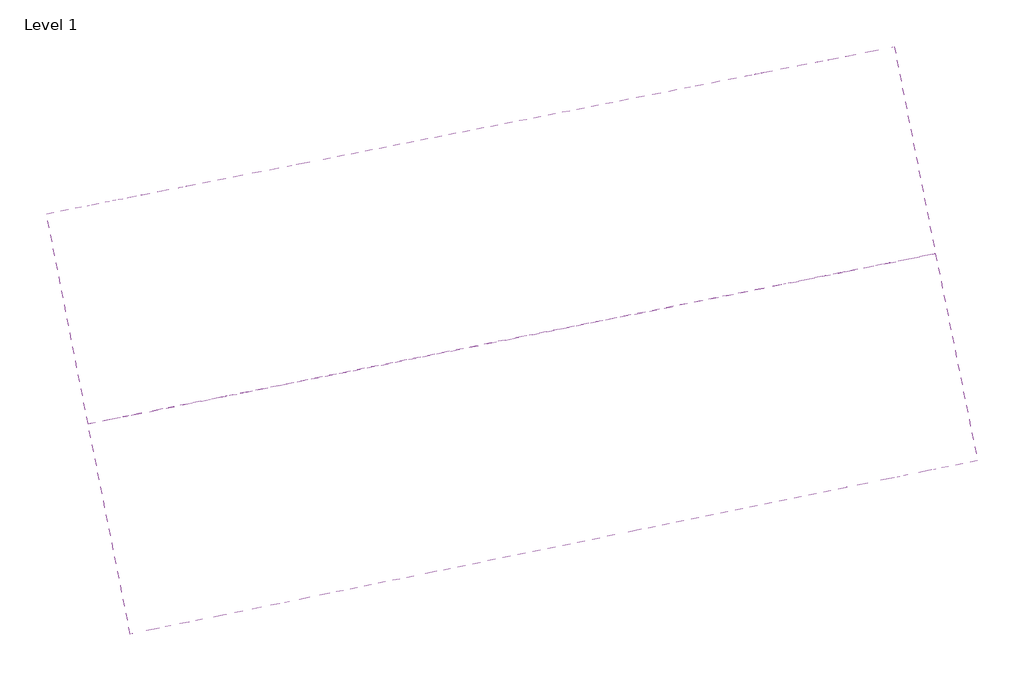
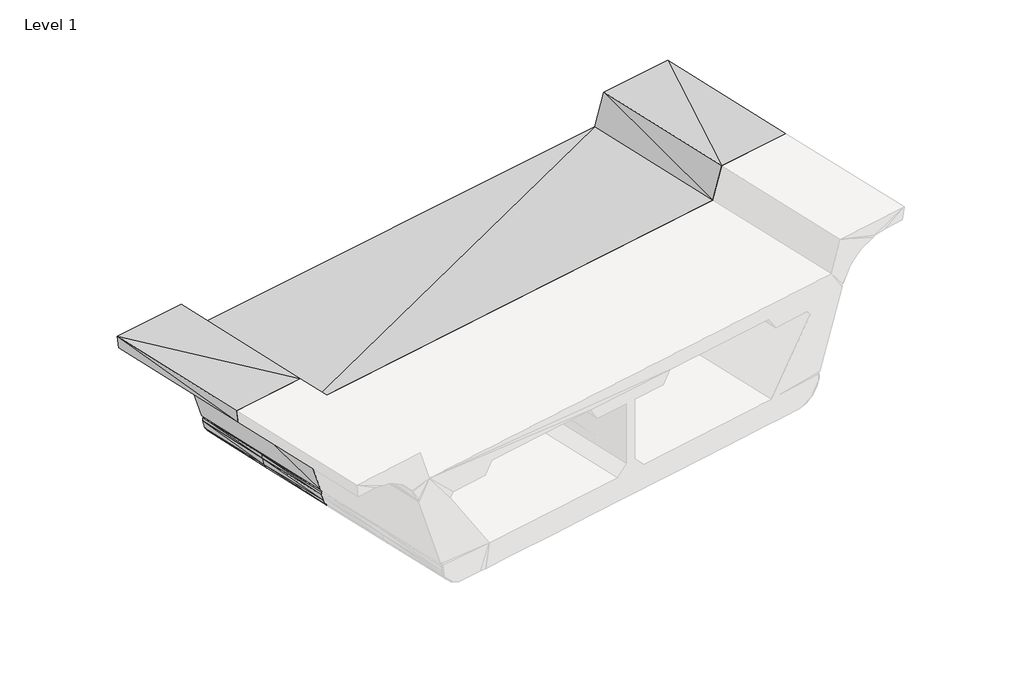
# One storey, part 2 of 2: 2 proxies.
"""IFC4 building model written with IfcOpenShell, lengths in millimetres."""

from ifc_helpers import new_model, si_unit, origin, place, context, project, spatial, faceted_brep, triangles, element, save

model = new_model("IFC4")

# Units and contexts
model_context = context("Model", 3, world=origin())
ifc_project = project(units=[si_unit("LENGTHUNIT", "METRE", prefix="MILLI")], contexts=[model_context])

# Site, building, storey
site = spatial("IfcSite", under=ifc_project)
building = spatial("IfcBuilding", under=site)
storey = spatial("IfcBuildingStorey", under=building, Name="Level 1", Elevation=0.0)

# Proxies
placement = place(None, origin())
element("IfcBuildingElementProxy", 1, Name="Generic Models", at=placement, inside=storey, context=model_context, shape_type="Tessellation", body=[
    triangles([(2303.6431091, -11538.3236206, 28849.4692932), (2601.2993591, -13012.3173706, 27670.8737915), (2902.5274841, -14488.6923706, 27708.3761536), (2602.4899841, -13012.3173706, 28886.9693298), (2500.0962341, -11497.8423706, 27433.3720093), (3097.7899841, -14448.2111206, 27508.3767334), (5296.8743591, -10935.8673706, 27433.3743347), (6754.1993591, -13698.1173706, 28834.7632141), (6091.0212341, -10776.3236206, 28849.4692932), (5988.6274841, -13855.2798706, 28924.4716919), (5246.8681091, -10945.3923706, 29091.17547), (5392.1243591, -10916.8173706, 28849.4692932), (3671.6712341, -14331.5298706, 29167.0313049), (3072.7868591, -11383.5423706, 29092.0289063), (2929.9118591, -11412.1173706, 28849.4692932), (3527.6056091, -14360.1048706, 28924.4716919), (2902.5274841, -14488.6923706, 28924.4716919), (2715.5993591, -14526.7923706, 28924.4716919), (1495.2087341, -11700.2486206, 28849.4692932), (2089.3306091, -14655.3798706, 28924.4716919), (1351.1431091, -11728.8236206, 29092.0265808), (-226.4350159, -15129.2486206, 29166.1755432), (1946.4556091, -14683.9548706, 29167.0313049), (-370.5006409, -15157.8236206, 28924.4716919), (-822.9381409, -12164.5923706, 29091.1731445), (-1667.0912659, -12336.0423706, 28849.4692932), (-1069.3975159, -15303.0798706, 28924.4716919), (-1137.2631409, -15314.9861206, 28834.7608887), (-871.7537659, -12176.4986206, 27433.3720093), (1925.0243591, -11614.5236206, 27433.3720093), (2519.1462341, -14567.2736206, 27508.3767334), (2417.9431091, -13050.4173706, 27670.8737915), (2715.5993591, -14526.7923706, 27708.3761536), (2416.7524841, -13050.4173706, 28886.9693298), (2121.4774841, -11574.0423706, 28849.4692932), (6616.0868591, -10671.5486206, 29371.3862732), (7111.3868591, -10571.5361206, 29425.2504272), (6875.6431091, -10619.1611206, 29054.4498047), (6342.2431091, -10726.3173706, 27501.9817749), (6326.7649841, -10728.6986206, 27454.5474609), (6349.3868591, -10723.9361206, 27446.6409668), (6323.1931091, -10731.0798706, 27277.525708), (6073.1618591, -10781.0861206, 26997.4846619), (5482.6118591, -10900.1486206, 26941.3834351), (-413.3631409, -12083.6298706, 26941.3834351), (-1925.4568909, -12386.0486206, 27446.6409668), (-1901.6443909, -12383.6673706, 27454.5451355), (-2448.1412659, -12493.2048706, 29047.640918), (-2450.5225159, -12493.2048706, 29054.4498047), (-2767.2287659, -12557.4986206, 29501.1016113), (-967.0037659, -12195.5486206, 28849.4692932), (-1733.7662659, -12347.9486206, 28759.75849), (2121.4774841, -11574.0423706, 27633.3737549), (2303.6431091, -11538.3236206, 27633.3737549), (6158.8868591, -10762.0361206, 28759.7608154), (-3183.9475159, -15734.0861206, 30056.386322), (-1979.0350159, -15488.8173706, 29374.5697998), (-1850.4475159, -15462.6236206, 29122.6433167), (-1826.6350159, -15457.8611206, 29130.5498108), (-362.1662659, -15157.8236206, 27016.3858337), (1149.9274841, -14848.2611206, 27016.3858337), (5268.2993591, -14002.9173706, 27016.3881592), (6502.9774841, -13750.5048706, 27018.6066284), (6538.6962341, -13743.3611206, 27028.2409241), (6661.3306091, -13717.1673706, 27062.0923462), (6893.5024841, -13669.5423706, 27291.7690247), (6941.1274841, -13660.0173706, 27451.9266907), (6944.6993591, -13660.0173706, 27521.6456909), (7444.7618591, -13557.6236206, 29130.5498108), (7468.5743591, -13552.8611206, 29122.6456421), (8802.0743591, -13279.0173706, 30056.3886475), (-275.2506409, -15138.7736206, 27508.374408), (5843.3712341, -13886.2361206, 29166.1778687), (6687.5243591, -13712.4048706, 28924.4716919), (5893.3774841, -13876.7111206, 27508.3767334), (-3782.8318909, -12759.9048706, 29981.3839233), (-3148.2287659, -15726.9423706, 29806.3853027), (-3370.8756409, -12676.5611206, 29731.3829041), (-3747.1131409, -12752.7611206, 29731.3829041), (-2908.9131409, -14131.5048706, 29754.6070679), (-3072.0287659, -14164.8423706, 29768.8852661), (-2843.4287659, -12571.7861206, 29572.6600342), (-2604.1131409, -12524.1611206, 29347.7621338), (-2151.6756409, -13976.7236206, 29091.9498413), (-1950.4600159, -15481.6736206, 29341.0439392), (-2462.4287659, -14041.0173706, 29547.5964478), (-2165.9631409, -15526.9173706, 29589.3148315), (-2611.2568909, -15617.4048706, 29778.2707397), (-2771.9912659, -15650.7423706, 29806.3853027), (-2354.0818909, -15565.0173706, 29695.5083496), (-2451.7131409, -15584.0673706, 29750.5421997), (-1852.8287659, -15462.6236206, 29129.4522034), (-2274.3100159, -14002.9173706, 29341.4532166), (-2579.1100159, -12519.3986206, 29300.3487488), (-2951.7756409, -12593.2173706, 29619.6850708), (-3207.7600159, -12645.6048706, 29711.5399292), (-2648.1662659, -14079.1173706, 29669.0541504), (-3143.4662659, -12631.3173706, 29703.7404053), (-2424.3287659, -12488.4423706, 29055.5450867), (-1811.1568909, -15453.0986206, 29083.1154968), (-1834.9693909, -15457.8611206, 29075.1624939), (-2408.8506409, -12483.6798706, 29008.1130981), (-1343.2412659, -15357.8486206, 27569.0776794), (-2432.6631409, -12488.4423706, 29000.1600952), (-1940.9350159, -12390.8111206, 27494.0729553), (-1917.1225159, -12386.0486206, 27501.9794495), (-1319.4287659, -15353.0861206, 27576.9818481), (-1626.6100159, -13871.9486206, 27484.1410034), (-1303.9506409, -15350.7048706, 27529.5498596), (-1920.6943909, -12386.0486206, 27377.9939941), (-1874.2600159, -12376.5236206, 27217.7223816), (-1569.4600159, -13860.0423706, 27241.0558411), (-1776.6287659, -12357.4736206, 27082.4073853), (-1545.6475159, -12309.8486206, 26960.7427185), (-958.6693909, -12193.1673706, 26941.3834351), (-803.8881409, -12162.2111206, 26941.3834351), (851.0806091, -13369.5048706, 26978.8857971), (1358.2868591, -11728.8236206, 26941.3834351), (5382.5993591, -10919.1986206, 26941.3834351), (5558.8118591, -10883.4798706, 26943.2623901), (5855.2774841, -12352.7111206, 26978.8857971), (6574.4149841, -12207.4548706, 27216.2736328), (6647.0431091, -12193.1673706, 27484.1410034), (6783.9649841, -13693.3548706, 27147.4522522), (6194.6056091, -13814.7986206, 27016.3881592), (184.3306091, -15045.9048706, 27016.3858337), (-360.9756409, -15157.8236206, 27016.3858337), (-1250.3725159, -13795.7486206, 26991.7687317), (-1377.7693909, -13819.5611206, 27042.2982056), (-945.5725159, -15276.8861206, 27028.282782), (-1096.7818909, -15307.8423706, 27091.385907), (-1219.4162659, -15331.6548706, 27202.2047241), (-1263.4693909, -15341.1798706, 27282.1486816), (-1301.5693909, -15348.3236206, 27352.5257813), (-1617.0850159, -13869.5673706, 27373.9314514), (-1327.7631409, -15355.4673706, 27521.6433655), (-1309.9037659, -15350.7048706, 27412.4988647), (-1076.5412659, -15303.0798706, 27082.8747986), (-460.9881409, -15176.8736206, 27016.3858337), (-662.2037659, -13674.3048706, 26978.8857971), (1933.3587341, -14686.3361206, 27016.3858337), (5823.1306091, -13888.6173706, 27016.3881592), (4439.6243591, -14174.3673706, 27016.3881592), (6043.3962341, -13845.7548706, 27016.3881592), (6239.8493591, -12274.1298706, 26986.0272217), (6372.0087341, -12247.9361206, 27029.4827087), (6485.1181091, -12224.1236206, 27107.880249), (6797.0618591, -13690.9736206, 27156.6633179), (6627.9931091, -12195.5486206, 27342.7845154), (6920.8868591, -13664.7798706, 27382.3076843), (6327.9556091, -10728.6986206, 27305.9332764), (6271.9962341, -10740.6048706, 27182.1013), (6242.2306091, -10745.3673706, 27127.2023254), (6119.5962341, -10771.5611206, 27016.3858337), (6185.0806091, -10757.2736206, 27075.6496582), (5967.1962341, -10802.5173706, 26953.2803833), (5743.3587341, -12376.5236206, 26978.8857971), (1654.7524841, -13205.1986206, 26978.8857971), (3085.8837341, -11381.1611206, 26941.3834351), (580.8087341, -11883.6048706, 26941.3834351), (-115.7068909, -13564.7673706, 26978.8857971), (-249.0568909, -12050.2923706, 26941.3834351), (-1175.3631409, -12236.0298706, 26941.3834351), (-1483.7350159, -12297.9423706, 26943.7065491), (-1642.0881409, -12331.2798706, 26987.5434082), (-1783.7725159, -12359.8548706, 27091.2673096), (-1487.3068909, -13843.3736206, 27127.7511292), (-1909.9787659, -12383.6673706, 27337.9569031), (6922.0774841, -13664.7798706, 27529.5498596), (6937.5556091, -13662.3986206, 27576.9841736), (6960.1774841, -13657.6361206, 27569.0800049), (6364.8649841, -10721.5548706, 27494.0752808), (6857.7837341, -10623.9236206, 29000.2089294), (6833.9712341, -10626.3048706, 29008.1130981), (7453.0962341, -13555.2423706, 29075.2113281), (7429.2837341, -13560.0048706, 29083.1154968), (6849.4493591, -10623.9236206, 29055.5474121), (6873.2618591, -10619.1611206, 29047.640918), (7189.9681091, -10557.2486206, 29514.3124329), (7474.5274841, -10497.7173706, 29675.539801), (7820.9993591, -11955.0423706, 29729.6062683), (8093.6524841, -11897.8923706, 29768.8875916), (8162.7087341, -13409.9861206, 29778.7451294), (8122.2274841, -13419.5111206, 29761.0462097), (7863.8618591, -13471.8986206, 29647.6670837), (7705.5087341, -13505.2361206, 29499.5365906), (7569.7774841, -12005.0486206, 29613.7924072), (7547.1556091, -13536.1923706, 29277.1292358), (7236.4024841, -12071.7236206, 29246.2404236), (7469.7649841, -13552.8611206, 29129.4545288), (7172.1087341, -12086.0111206, 29091.9521667), (7398.3274841, -12040.7673706, 29471.3383118), (7623.3556091, -13521.9048706, 29422.7668579), (7526.9149841, -10488.1923706, 29684.567157), (7795.9962341, -10433.4236206, 29731.3852295), (7280.4556091, -10538.1986206, 29565.6139526), (6973.2743591, -10600.1111206, 29266.043866), (6944.6993591, -10604.8736206, 29206.3521606), (8765.1649841, -13286.1611206, 29806.3876282), (8390.1181091, -13364.7423706, 29806.3876282), (8171.0431091, -10359.6048706, 29731.3852295), (8207.9524841, -10352.4611206, 29981.3862488), (6814.9212341, -10631.0673706, 29981.3862488), (7410.2337341, -13564.7673706, 30056.3886475), (-2190.9662659, -12440.8173706, 29371.3839478), (-1593.2725159, -15410.2361206, 29446.3863464), (7211.3993591, -13605.2486206, 29446.3886719), (-2390.9912659, -12481.2986206, 29981.3839233), (-1793.2975159, -15450.7173706, 30056.386322)], [[76, 56, 209], [209, 208, 76], [208, 209, 206], [206, 205, 208], [206, 207, 36], [36, 205, 206], [207, 204, 203], [203, 36, 207], [204, 71, 202], [202, 203, 204], [199, 201, 202], [202, 71, 199], [199, 200, 182], [182, 201, 199], [182, 195, 201], [198, 189, 191], [192, 189, 197], [189, 198, 197], [187, 192, 179], [192, 37, 179], [187, 196, 180], [180, 181, 187], [181, 194, 195], [182, 200, 183], [183, 181, 182], [185, 187, 181], [187, 185, 186], [189, 192, 193], [192, 186, 193], [190, 191, 189], [189, 188, 190], [193, 188, 189], [186, 192, 187], [181, 184, 185], [183, 184, 181], [195, 182, 181], [180, 194, 181], [179, 196, 187], [197, 37, 192], [191, 38, 198], [191, 70, 178], [191, 190, 70], [178, 38, 191], [177, 178, 70], [70, 69, 177], [176, 174, 177], [177, 69, 176], [174, 176, 175], [175, 173, 174], [171, 172, 173], [173, 175, 171], [39, 172, 171], [171, 170, 39], [169, 40, 39], [39, 170, 169], [169, 68, 123], [123, 40, 169], [123, 41, 40], [135, 108, 46], [46, 110, 135], [112, 135, 168], [111, 166, 167], [113, 165, 129], [167, 166, 113], [128, 129, 165], [128, 164, 163], [128, 114, 164], [163, 140, 128], [161, 140, 116], [140, 115, 116], [117, 161, 162], [161, 45, 162], [158, 117, 160], [157, 158, 159], [158, 118, 159], [159, 119, 157], [121, 157, 44], [120, 156, 145], [145, 156, 43], [146, 154, 155], [146, 43, 154], [122, 147, 153], [147, 155, 153], [122, 152, 42], [42, 149, 122], [149, 151, 41], [123, 67, 150], [123, 68, 67], [149, 150, 66], [148, 147, 122], [122, 66, 148], [65, 146, 147], [146, 65, 64], [145, 63, 125], [145, 64, 63], [144, 157, 121], [158, 157, 143], [157, 142, 62], [157, 144, 142], [62, 143, 157], [117, 158, 141], [161, 117, 61], [140, 161, 126], [126, 127, 140], [128, 140, 139], [140, 60, 139], [130, 138, 129], [131, 132, 167], [129, 138, 131], [112, 167, 132], [135, 112, 133], [133, 134, 135], [108, 135, 137], [137, 136, 108], [134, 137, 135], [132, 133, 112], [167, 129, 131], [129, 128, 130], [139, 130, 128], [127, 60, 140], [61, 126, 161], [141, 61, 117], [143, 141, 158], [121, 125, 144], [125, 121, 145], [64, 145, 146], [147, 124, 65], [148, 124, 147], [66, 122, 149], [150, 149, 123], [41, 123, 149], [42, 151, 149], [153, 152, 122], [155, 147, 146], [43, 146, 145], [145, 121, 120], [44, 120, 121], [119, 44, 157], [160, 118, 158], [162, 160, 117], [116, 45, 161], [163, 115, 140], [165, 114, 128], [129, 167, 113], [167, 112, 111], [168, 111, 112], [110, 168, 135], [109, 47, 108], [47, 46, 108], [108, 136, 109], [106, 47, 109], [109, 107, 106], [103, 105, 106], [106, 107, 103], [104, 105, 103], [103, 101, 104], [101, 100, 102], [102, 104, 101], [99, 102, 100], [100, 59, 99], [58, 48, 99], [99, 59, 58], [58, 84, 48], [84, 58, 92], [49, 48, 84], [78, 96, 80], [97, 80, 98], [80, 96, 98], [97, 95, 82], [82, 86, 97], [86, 50, 83], [83, 93, 86], [94, 49, 84], [93, 84, 92], [92, 85, 93], [57, 87, 86], [97, 86, 87], [80, 97, 91], [97, 90, 91], [81, 80, 88], [88, 89, 81], [91, 88, 80], [87, 90, 97], [86, 93, 57], [85, 57, 93], [84, 93, 94], [83, 94, 93], [82, 50, 86], [98, 95, 97], [80, 81, 78], [77, 79, 81], [79, 78, 81], [81, 89, 77], [76, 79, 77], [77, 56, 76], [3, 17, 18], [186, 204, 193], [183, 71, 204], [200, 71, 183], [200, 199, 71], [184, 204, 185], [184, 183, 204], [188, 69, 190], [193, 207, 188], [186, 185, 204], [70, 190, 69], [17, 13, 23], [207, 74, 8], [69, 188, 207], [69, 207, 176], [204, 207, 193], [73, 74, 207], [13, 73, 207], [176, 207, 8], [176, 8, 175], [73, 10, 74], [13, 17, 16], [64, 65, 124], [8, 171, 175], [169, 150, 67], [67, 68, 169], [8, 170, 171], [75, 169, 170], [75, 170, 8], [169, 124, 150], [66, 124, 148], [66, 150, 124], [64, 124, 169], [143, 6, 141], [125, 63, 75], [75, 64, 169], [75, 6, 143], [75, 63, 64], [6, 3, 33], [75, 144, 125], [62, 142, 75], [75, 142, 144], [75, 143, 62], [33, 3, 18], [18, 17, 23], [13, 207, 206], [206, 22, 23], [206, 27, 22], [100, 28, 206], [206, 23, 13], [85, 59, 206], [206, 59, 100], [87, 206, 209], [23, 20, 18], [22, 27, 24], [28, 27, 206], [101, 28, 100], [90, 87, 209], [209, 88, 91], [56, 88, 209], [209, 91, 90], [56, 89, 88], [56, 77, 89], [206, 57, 85], [85, 92, 59], [92, 58, 59], [206, 87, 57], [141, 31, 61], [33, 31, 6], [31, 141, 6], [31, 72, 61], [130, 109, 138], [130, 139, 72], [130, 72, 109], [72, 126, 61], [127, 72, 60], [126, 72, 127], [72, 139, 60], [131, 138, 132], [103, 28, 101], [136, 137, 109], [107, 28, 103], [109, 72, 107], [28, 107, 72], [138, 109, 133], [137, 133, 109], [138, 133, 132], [137, 134, 133], [1, 21, 14], [7, 55, 39], [151, 42, 152], [155, 40, 152], [152, 153, 155], [43, 40, 155], [43, 155, 154], [55, 173, 172], [172, 39, 55], [152, 40, 151], [151, 40, 41], [7, 39, 40], [156, 40, 43], [5, 30, 53], [7, 40, 156], [7, 156, 120], [120, 44, 7], [7, 44, 119], [159, 118, 5], [7, 119, 159], [21, 1, 35], [1, 54, 35], [53, 54, 5], [7, 159, 5], [53, 35, 54], [196, 203, 180], [203, 179, 37], [179, 203, 196], [37, 197, 36], [198, 36, 197], [177, 198, 38], [202, 195, 203], [195, 194, 203], [195, 202, 201], [180, 203, 194], [14, 15, 1], [36, 203, 37], [55, 174, 173], [55, 36, 174], [36, 55, 9], [12, 11, 9], [177, 174, 36], [11, 36, 9], [36, 198, 177], [11, 14, 36], [178, 177, 38], [205, 36, 14], [30, 118, 160], [29, 160, 162], [45, 116, 29], [29, 162, 45], [115, 163, 29], [29, 116, 115], [30, 160, 29], [114, 47, 29], [164, 29, 163], [118, 30, 5], [164, 114, 29], [29, 106, 52], [114, 165, 166], [111, 47, 166], [166, 165, 113], [168, 47, 111], [110, 47, 168], [46, 47, 110], [105, 104, 52], [114, 166, 47], [52, 106, 105], [47, 106, 29], [205, 83, 208], [21, 35, 19], [26, 52, 205], [26, 25, 51], [52, 102, 205], [52, 104, 102], [14, 21, 205], [99, 205, 102], [26, 205, 25], [205, 21, 25], [49, 99, 48], [94, 205, 99], [95, 98, 208], [50, 82, 208], [205, 94, 83], [94, 99, 49], [83, 50, 208], [208, 82, 95], [96, 76, 208], [208, 98, 96], [96, 78, 76], [79, 76, 78], [32, 34, 35], [34, 32, 33], [33, 18, 34], [35, 53, 32], [30, 31, 32], [31, 33, 32], [32, 53, 30], [29, 72, 31], [31, 30, 29], [52, 28, 72], [72, 29, 52], [28, 52, 26], [26, 27, 28], [26, 51, 24], [24, 27, 26], [24, 51, 25], [25, 22, 24], [25, 21, 23], [23, 22, 25], [21, 19, 20], [20, 23, 21], [20, 19, 34], [19, 35, 34], [34, 18, 20], [16, 17, 4], [4, 15, 16], [4, 1, 15], [16, 15, 14], [14, 13, 16], [14, 11, 73], [73, 13, 14], [11, 12, 10], [10, 73, 11], [10, 12, 9], [9, 74, 10], [9, 55, 8], [8, 74, 9], [75, 8, 55], [55, 7, 75], [6, 75, 7], [7, 5, 6], [5, 54, 2], [2, 6, 5], [2, 3, 6], [2, 54, 1], [4, 17, 3], [3, 2, 4], [1, 4, 2]]),
])
element("IfcBuildingElementProxy", 2, Name="Generic Models", at=placement, inside=storey, context=model_context, shape_type="Brep", body=[
    faceted_brep([(2008.5683279, -10061.5052529, 27595.8719099), (1716.2990342, -8584.7991601, 28774.4659688), (2009.9802711, -10061.224398, 28811.9673411), (2303.6615079, -11537.6496359, 27633.3732822), (2303.661508, -11537.6496359, 28849.4687134), (1716.2990342, -8584.7991601, 27558.3705376), (2499.7437648, -11498.2573963, 27433.3733124), (1912.5304494, -8546.1568041, 27358.3705557), (4711.4281649, -7994.9912236, 27358.3708149), (5296.5139972, -10936.3960373, 27433.3737449), (5574.3149914, -7825.0695019, 28684.7572457), (6158.7449307, -10763.1768581, 28759.7602294), (5506.944294, -7838.3362995, 28774.46632), (6091.4254428, -10776.7011078, 28849.4692995), (5392.2558875, -10917.1618263, 28849.4691909), (4807.2428855, -7976.1231614, 28774.4662549), (4662.0341542, -8004.7180094, 29016.1720383), (5247.1575316, -10946.3115786, 29091.1749652), (2486.4677089, -8433.1357169, 29017.0250781), (3073.2447662, -11383.0430507, 29092.0278702), (2929.5952712, -11411.9017319, 28849.4688098), (2342.7089408, -8461.4450347, 28774.4660266), (1495.1070761, -11700.0853936, 28849.468589), (1828.1371525, -10097.3968217, 28811.9673736), (2121.0408335, -11574.3374908, 28849.4686852), (911.6489805, -8743.2527583, 28774.4658947), (1538.0588835, -8619.8986336, 28774.4659524), (767.8902131, -8771.562076, 29017.0249196), (1351.4575825, -11728.9440746, 29092.0276051), (-1407.6762202, -9199.9797811, 29016.1714786), (-822.4551628, -12165.6755426, 29091.1740306), (-967.5535175, -12194.8252946, 28849.4682116), (-1552.8849506, -9228.5746289, 28774.4656685), (-2252.5863553, -9366.3614901, 28774.4656045), (-1666.7230663, -12335.2860119, 28849.4681049), (-1734.0425536, -12348.8102615, 28759.7590141), (-2319.9570523, -9379.6282876, 28684.7565178), (-871.811628, -12175.5910839, 27433.3727951), (-1457.0702306, -9209.7065668, 27358.3702461), (1924.9585786, -11613.7297301, 27433.3732239), (1341.8274695, -8658.5409894, 27358.3705031), (1829.5498586, -10097.1180621, 27595.8718876), (1538.0588836, -8619.8986336, 27558.3705212), (2121.0408336, -11574.3374908, 27633.373254), (-4334.2251038, -9776.2827326, 29656.381153), (-4370.2561926, -9783.3780601, 29906.3811497), (-2977.0127092, -9509.0172469, 29906.3812764), (-2777.6963547, -9469.7673973, 29296.3812945), (6032.2094179, -7734.8998448, 29296.3821068), (6231.5257736, -7695.649995, 29906.3821255), (7624.7692646, -7421.2891803, 29906.3822557), (7588.7381756, -7428.3845078, 29656.3822523), (7212.7316295, -7502.4286092, 29656.3822171), (6943.1021065, -7555.5246948, 29609.564662), (6891.1130842, -7565.7624965, 29600.5374646), (6696.573189, -7604.0717543, 29490.6104717), (6605.786306, -7621.9497228, 29439.3103052), (6528.0261775, -7637.2624318, 29350.2480587), (6389.022402, -7664.6353852, 29191.0406507), (6361.4347793, -7670.0680053, 29131.3479734), (6291.2323719, -7683.89243, 28979.4476194), (6289.0055585, -7684.3309394, 28972.6388824), (6265.7353752, -7688.9133591, 28980.5445744), (6250.2219197, -7691.9683055, 28933.110408), (6273.492103, -7687.3858858, 28925.2047161), (5780.9081568, -7784.3866855, 27419.0729054), (5757.6379735, -7788.9691052, 27426.9785974), (5742.124518, -7792.0240517, 27379.544431), (5765.3947013, -7787.441632, 27371.6387391), (5743.3159343, -7791.7894352, 27230.9340759), (5738.8577983, -7792.6673419, 27202.5230449), (5687.169413, -7802.8459414, 27107.0825739), (5657.4467873, -7808.6989914, 27052.2009716), (5600.2803893, -7819.9563342, 27000.634164), (5534.5951892, -7832.8912196, 26941.3829921), (5489.0991201, -7841.8504136, 26922.4685353), (5382.8073895, -7862.7816334, 26878.2789958), (4973.7793149, -7943.3284126, 26868.2575158), (4897.2299265, -7958.4026998, 26866.3820011), (4796.9930781, -7978.1415779, 26866.3819918), (2499.3799027, -8430.5930171, 26866.3817788), (770.748126, -8770.999289, 26866.3816196), (-5.8284067, -8923.9245828, 26866.3815481), (-835.0663649, -9087.2200894, 26866.381472), (-1008.173893, -9121.3088347, 26866.3814562), (-1389.8219223, -9196.4638704, 26866.3814212), (-1558.9208676, -9229.763236, 26866.3814058), (-1760.9502884, -9269.547349, 26866.3813873), (-2070.4624483, -9330.4972181, 26868.8116872), (-2216.0197407, -9359.1607055, 26909.4252401), (-2228.8120571, -9361.6797988, 26912.9945661), (-2291.2853768, -9373.9821932, 26957.0131301), (-2363.8620388, -9388.2741617, 27008.1504868), (-2392.7059361, -9393.9541704, 27048.6342065), (-2460.4191331, -9407.2884139, 27143.6727533), (-2506.5786289, -9416.3782513, 27301.1970746), (-2507.4166768, -9416.5432817, 27304.0570046), (-2511.0367611, -9417.2561573, 27371.6379759), (-2487.766578, -9412.6737376, 27379.5436722), (-2503.2800334, -9415.7286841, 27426.9778356), (-2526.5502166, -9420.3111038, 27419.0721394), (-3019.1186479, -9517.3088482, 28925.156429), (-2995.7088552, -9512.6989363, 28933.1095555), (-3011.2223107, -9515.7538828, 28980.543719), (-3034.4924938, -9520.3363025, 28972.6380227), (-3036.7193072, -9520.7748118, 28979.4467593), (-3165.5616545, -9546.1467526, 29225.3472785), (-3190.4042269, -9551.038811, 29272.7602726), (-3354.2443672, -9583.3026002, 29426.1001498), (-3430.7030629, -9598.359028, 29497.6587251), (-3538.1940846, -9619.5264151, 29544.6820176), (-3730.3407655, -9657.3643955, 29628.7389876), (-3794.6286731, -9670.0241228, 29636.5372866), (-3958.2185598, -9702.2386316, 29656.3811871), (-2191.4339199, -12440.6985874, 29371.3837628), (-2390.5987705, -12480.7101094, 29981.3837326), (-3782.783224, -12760.3950974, 29981.3835212), (-3746.7795231, -12753.1620798, 29731.3835266), (-3371.0587885, -12677.6810982, 29731.3835836), (-3209.255149, -12645.1753129, 29703.2672214), (-3049.6847646, -12613.1181807, 29675.5389284), (-2952.3643591, -12593.5668515, 29620.505121), (-2764.5748868, -12555.8406033, 29514.3118762), (-2577.2233441, -12518.2023336, 29299.5664155), (-2547.975761, -12512.3265964, 29266.0423482), (-2450.2599844, -12492.6958386, 29054.4492119), (-2448.0348636, -12492.2488196, 29047.6404755), (-2424.7823686, -12487.5774747, 29055.5461731), (-2409.2807052, -12484.4632447, 29008.1120106), (-2432.6727037, -12489.1626154, 29000.1588827), (-1940.4786826, -12390.2825578, 27494.074623), (-1917.2261876, -12385.6112129, 27501.9803207), (-1901.7245242, -12382.4969829, 27454.5461582), (-1924.9770193, -12387.1683279, 27446.6404605), (-1914.0866134, -12384.9804834, 27377.1846851), (-1898.4603054, -12381.8412128, 27277.5247321), (-1817.1112091, -12365.4984639, 27127.2026589), (-1810.5211999, -12364.1745541, 27121.253636), (-1694.3529796, -12340.8367648, 27016.3846777), (-1628.1819624, -12327.5432389, 26988.8540101), (-1542.6799359, -12310.3661808, 26953.2806129), (-1057.4695797, -12212.8891171, 26941.3839357), (-973.4153033, -12196.0029069, 26941.3839485), (-957.3059299, -12192.7665901, 26941.383951), (-422.8240353, -12085.3910466, 26941.3840329), (552.0835359, -11889.535525, 26941.3841822), (1338.5802651, -11731.5310826, 26941.3843027), (3844.1298689, -11228.1749294, 26941.3846888), (4673.4807964, -11061.5612285, 26941.3848172), (5228.31193, -10950.097594, 26941.3849032), (5447.5683425, -10906.0497475, 26941.3849373), (5599.4908564, -10875.5290458, 26941.3849609), (5908.3782912, -10813.4746404, 26943.7089713), (5942.4173208, -10806.6363183, 26953.1326772), (6066.7099181, -10781.6663702, 26987.5430847), (6187.8275752, -10757.3342565, 27072.5546049), (6201.8655753, -10754.5140713, 27082.4077656), (6298.6361927, -10735.0731927, 27217.7227717), (6325.071244, -10729.7624834, 27307.3013689), (6345.9329053, -10725.5714486, 27377.9938116), (6349.6793981, -10724.8187913, 27446.6417346), (6326.4269028, -10729.4901363, 27454.5474251), (6341.9285663, -10726.3759063, 27501.9815924), (6365.1810616, -10721.7045613, 27494.0759019), (6857.3905875, -10622.8213889, 29000.2077433), (6834.1380923, -10627.4927338, 29008.1134338), (6849.6397558, -10624.3785038, 29055.5476011), (6872.892251, -10619.7071589, 29047.6419106), (6875.1173718, -10619.2601399, 29054.4506477), (6952.4351764, -10603.7272633, 29202.1268711), (7028.6855276, -10588.4088344, 29347.7642692), (7110.6482795, -10571.9428042, 29424.5325065), (7268.8017964, -10540.1703158, 29572.6628027), (7527.7833136, -10488.1418346, 29686.0436862), (7568.2118499, -10480.0198831, 29703.7431082), (7795.9161844, -10434.2748786, 29731.3853031), (8171.6369224, -10358.7938963, 29731.3853618), (8207.6406236, -10351.5608786, 29981.3853674), (6815.4561574, -10631.2458692, 29981.3851501), (6616.291305, -10671.2573916, 29371.385119), (-3664.6385493, -11189.9604976, 29693.8824013), (-3501.8837867, -11157.5841005, 29679.6039341), (-3241.1994339, -11105.7304145, 29594.0525625), (-3054.2170679, -11068.5370625, 29472.5939955), (-2867.0903446, -11031.3149959, 29266.4500352), (-2743.4903965, -11006.7315214, 29016.9478896), (-2218.0023352, -10902.2353257, 27409.1398011), (-2215.4342074, -10901.7222427, 27338.5571568), (-2178.4061526, -10894.3568543, 27202.1270082), (-2105.8567179, -10879.9257758, 27082.6575796), (-2003.6792561, -10859.6012761, 26988.7575131), (-1925.0813516, -10843.9670739, 26944.8909707), (-1798.3150112, -10818.7515086, 26908.6622896), (-1267.5827655, -10713.1815794, 26903.8831986), (-716.9131113, -10603.645826, 26903.8831986), (258.0686335, -10409.708573, 26903.8831986), (1061.9198563, -10249.81153, 26903.8831986), (5153.7491344, -9435.8905167, 26903.8831986), (5264.8059875, -9413.7997841, 26903.8831986), (5649.9288572, -9337.1935586, 26911.0213818), (5782.159321, -9310.8911042, 26954.4658419), (5895.673659, -9288.3115441, 27032.8650048), (5983.8671472, -9270.7686486, 27141.2555449), (6038.0662905, -9259.987695, 27267.784827), (6057.5340804, -9256.1152843, 27409.1398557), (6583.1754345, -9151.5791132, 29016.9492058), (6809.0121203, -9106.65709, 29396.3360738), (6981.1527896, -9072.4159431, 29538.7898135), (7232.1350027, -9022.4921287, 29654.6033129), (7504.3235755, -8968.3500777, 29693.8837175), (6646.9748435, -9138.8885332, 29171.2378092)], [[[0, 1, 2]], [[2, 3, 0]], [[3, 2, 4]], [[1, 0, 5]], [[6, 0, 3]], [[7, 0, 6]], [[0, 7, 5]], [[6, 8, 7]], [[8, 6, 9]], [[9, 10, 8]], [[10, 9, 11]], [[12, 11, 13]], [[11, 12, 10]], [[14, 12, 13]], [[12, 14, 15]], [[16, 14, 17]], [[14, 16, 15]], [[18, 17, 19]], [[17, 18, 16]], [[20, 18, 19]], [[18, 20, 21]], [[21, 2, 1]], [[20, 2, 21]], [[2, 20, 4]], [[22, 23, 24]], [[23, 25, 26]], [[23, 22, 25]], [[27, 22, 28]], [[22, 27, 25]], [[29, 28, 30]], [[28, 29, 27]], [[31, 29, 30]], [[29, 31, 32]], [[33, 31, 34]], [[31, 33, 32]], [[35, 33, 34]], [[33, 35, 36]], [[36, 37, 38]], [[37, 36, 35]], [[38, 39, 40]], [[39, 38, 37]], [[40, 41, 42]], [[41, 39, 43]], [[41, 40, 39]], [[41, 26, 42]], [[23, 43, 24]], [[43, 23, 41]], [[26, 41, 23]], [[44, 45, 46, 47, 48, 49, 50, 51, 52, 53, 54, 55, 56, 57, 58, 59, 60, 61, 62, 63, 64, 65, 66, 67, 68, 69, 70, 71, 72, 73, 74, 75, 76, 77, 78, 79, 80, 81, 82, 83, 84, 85, 86, 87, 88, 89, 90, 91, 92, 93, 94, 95, 96, 97, 98, 99, 100, 101, 102, 103, 104, 105, 106, 107, 108, 109, 110, 111, 112, 113], [21, 1, 5, 7, 8, 10, 12, 15, 16, 18], [42, 26, 25, 27, 29, 32, 33, 36, 38, 40]], [[114, 115, 116, 117, 118, 119, 120, 121, 122, 123, 124, 125, 126, 127, 128, 129, 130, 131, 132, 133, 134, 135, 136, 137, 138, 139, 140, 141, 142, 143, 144, 145, 146, 147, 148, 149, 150, 151, 152, 153, 154, 155, 156, 157, 158, 159, 160, 161, 162, 163, 164, 165, 166, 167, 168, 169, 170, 171, 172, 173, 174, 175, 176, 177, 178, 179], [4, 20, 19, 17, 14, 13, 11, 9, 6, 3], [24, 43, 39, 37, 35, 34, 31, 30, 28, 22]], [[45, 117, 116]], [[117, 45, 44]], [[117, 180, 118]], [[180, 44, 113]], [[180, 117, 44]], [[113, 181, 180]], [[182, 111, 110]], [[183, 109, 108]], [[184, 107, 106]], [[106, 185, 184]], [[184, 124, 123]], [[123, 183, 184]], [[182, 122, 121]], [[181, 120, 119]], [[180, 119, 118]], [[119, 180, 181]], [[120, 182, 121]], [[120, 181, 182]], [[122, 182, 183]], [[183, 123, 122]], [[184, 125, 124]], [[125, 184, 185]], [[185, 106, 105]], [[183, 107, 184]], [[107, 183, 108]], [[182, 109, 183]], [[109, 182, 110]], [[111, 181, 112]], [[111, 182, 181]], [[181, 113, 112]], [[126, 125, 185, 105, 104]], [[126, 103, 127]], [[103, 126, 104]], [[103, 128, 127]], [[128, 103, 102]], [[129, 102, 101]], [[102, 129, 128]], [[101, 130, 129]], [[130, 101, 100]], [[130, 99, 131]], [[99, 130, 100]], [[99, 132, 131]], [[132, 99, 98]], [[132, 186, 133]], [[186, 98, 97]], [[186, 132, 98]], [[187, 96, 95]], [[95, 188, 187]], [[189, 94, 93]], [[190, 92, 91]], [[191, 90, 89]], [[89, 192, 191]], [[193, 87, 86]], [[194, 85, 84]], [[195, 83, 82]], [[196, 82, 81]], [[197, 79, 78]], [[198, 78, 77]], [[77, 199, 198]], [[199, 75, 200]], [[200, 73, 201]], [[202, 72, 71]], [[203, 70, 69]], [[203, 68, 204]], [[204, 158, 203]], [[203, 157, 202]], [[201, 156, 155]], [[154, 201, 155]], [[200, 153, 199]], [[199, 151, 198]], [[150, 198, 151]], [[196, 147, 146]], [[195, 146, 145]], [[194, 145, 144]], [[193, 143, 142]], [[192, 141, 140]], [[191, 140, 139]], [[190, 139, 138]], [[138, 189, 190]], [[136, 188, 189]], [[187, 135, 134]], [[186, 134, 133]], [[134, 186, 187]], [[135, 187, 188]], [[136, 189, 137]], [[188, 136, 135]], [[189, 138, 137]], [[139, 190, 191]], [[140, 191, 192]], [[141, 193, 142]], [[141, 192, 193]], [[194, 143, 193]], [[143, 194, 144]], [[145, 194, 195]], [[146, 195, 196]], [[147, 197, 150, 149, 148]], [[147, 196, 197]], [[198, 150, 197]], [[152, 199, 153]], [[151, 199, 152]], [[153, 200, 154]], [[201, 154, 200]], [[156, 202, 157]], [[202, 156, 201]], [[157, 203, 158]], [[159, 204, 160]], [[158, 204, 159]], [[68, 203, 69]], [[202, 70, 203]], [[70, 202, 71]], [[72, 201, 73]], [[72, 202, 201]], [[74, 200, 75]], [[73, 200, 74]], [[75, 199, 76]], [[199, 77, 76]], [[78, 198, 197]], [[197, 80, 79]], [[80, 196, 81]], [[80, 197, 196]], [[82, 196, 195]], [[83, 194, 84]], [[83, 195, 194]], [[85, 193, 86]], [[85, 194, 193]], [[192, 87, 193]], [[87, 192, 88]], [[192, 89, 88]], [[191, 91, 90]], [[91, 191, 190]], [[189, 92, 190]], [[92, 189, 93]], [[94, 189, 188]], [[188, 95, 94]], [[187, 97, 96]], [[97, 187, 186]], [[67, 204, 68]], [[161, 204, 67]], [[204, 161, 160]], [[161, 66, 162]], [[66, 161, 67]], [[66, 163, 162]], [[163, 66, 65]], [[163, 64, 164]], [[64, 163, 65]], [[63, 164, 64]], [[164, 63, 165]], [[165, 62, 166]], [[62, 165, 63]], [[62, 167, 166]], [[167, 62, 61]], [[168, 167, 61, 60, 205]], [[59, 205, 60]], [[206, 58, 57]], [[207, 56, 55]], [[208, 54, 53]], [[208, 52, 209]], [[208, 174, 173]], [[172, 208, 173]], [[207, 171, 206]], [[210, 170, 169]], [[168, 210, 169]], [[210, 168, 205]], [[170, 206, 171]], [[170, 210, 206]], [[171, 207, 172]], [[208, 172, 207]], [[209, 174, 208]], [[174, 209, 175]], [[52, 208, 53]], [[207, 54, 208]], [[54, 207, 55]], [[56, 206, 57]], [[56, 207, 206]], [[58, 210, 59]], [[58, 206, 210]], [[205, 59, 210]], [[51, 209, 52]], [[176, 209, 51]], [[209, 176, 175]], [[176, 50, 177]], [[50, 176, 51]], [[178, 50, 49]], [[50, 178, 177]], [[179, 49, 48]], [[49, 179, 178]], [[114, 48, 47]], [[48, 114, 179]], [[46, 114, 47]], [[114, 46, 115]], [[45, 115, 46]], [[115, 45, 116]]]),
])

save(model, "model.ifc")
